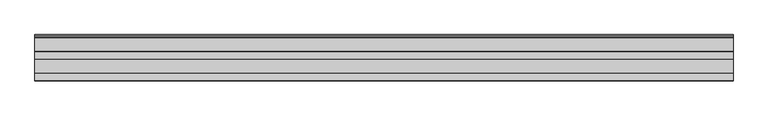
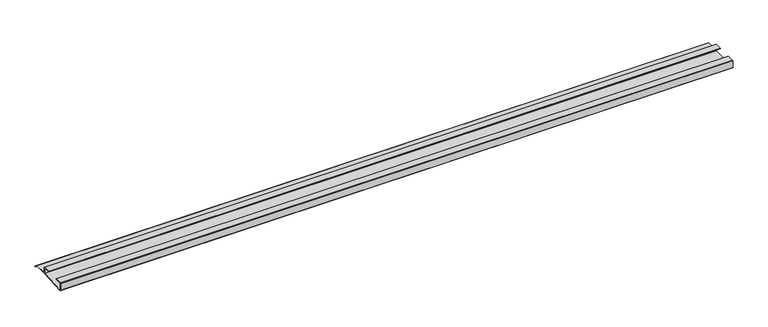
"""IFC4 building model written with IfcOpenShell, lengths in millimetres: furniture geometry."""

from ifc_helpers import new_model, si_unit, frame, origin, place, context, project, spatial, polyline, outline, extrude, source, transform, mapped, element, save


def furniture_b1964e27(model_context):
    return source(origin(), model_context, "Body", "SweptSolid", [
        extrude(outline(polyline([(-16.1532518, 511.9901998), (-16.9376349, 511.5718742), (-18.5259585, 513.2424489), (-20.7474799, 513.857782), (-21.763438, 515.8897074), (-45.0034802, 515.8897074), (-92.6265287, 513.857782), (-93.3884975, 514.6197508), (-93.3884975, 527.05), (-92.5947475, 527.84375), (-80.6890189, 527.84375), (-80.6890189, 527.05), (-92.6265287, 527.05), (-92.6265287, 514.6197631), (-45.0034802, 516.6834574), (-45.0034802, 527.05), (-56.9409919, 527.05), (-56.9409919, 527.84375), (-45.0352673, 527.84375), (-44.2415173, 527.05), (-44.2415173, 516.6834574), (-21.763438, 516.6834574), (-20.7474799, 514.8737447), (-18.0685872, 514.0047207), (-16.1532518, 511.9901998)])), frame((-562.7345592, 0.0, 0.0), z_axis=(1.0, 0.0, 0.0), x_axis=(0.0, 1.0, 0.0)), (0.0, 0.0, 1.0), 1164.4122),
    ])


if __name__ == "__main__":
    model = new_model("IFC4")
    model_context = context("Model", 3, world=origin())
    ifc_project = project(units=[si_unit("LENGTHUNIT", "METRE", prefix="MILLI")], contexts=[model_context])
    site = spatial("IfcSite", under=ifc_project)
    building = spatial("IfcBuilding", under=site)
    placement = place(None, origin())
    furniture_shape = furniture_b1964e27(model_context)
    element("IfcFurniture", 1, at=placement, inside=building, context=model_context, shape_type="MappedRepresentation", body=[
        mapped(furniture_shape, transform((0.0, 0.0, 0.0), x_axis=(1.0, 0.0, 0.0), y_axis=(0.0, 1.0, 0.0), z_axis=(0.0, 0.0, 1.0))),
    ])
    save(model, "model.ifc")
